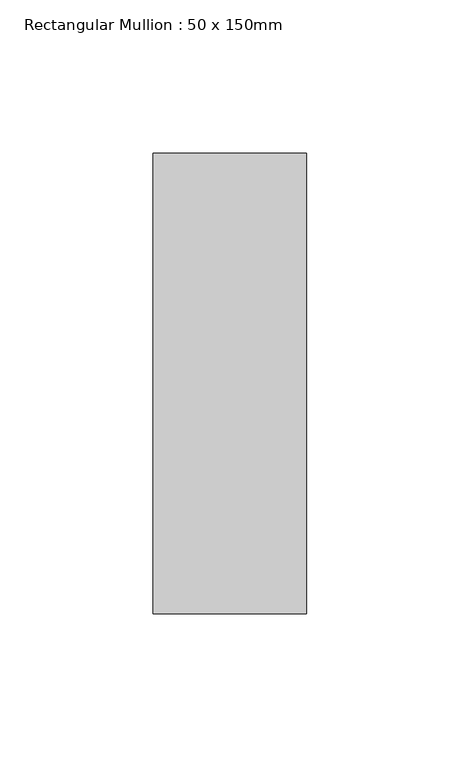
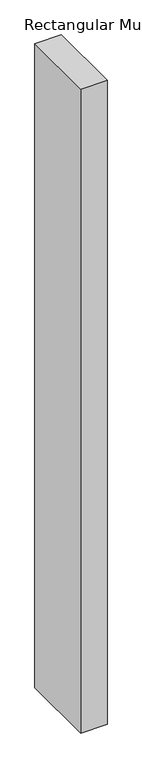
"""IFC4 building model written with IfcOpenShell, lengths in millimetres: member geometry, Rectangular Mullion : 50 x 150mm."""

from ifc_helpers import new_model, si_unit, frame, origin, place, context, project, spatial, polyline, outline, extrude, source, transform, mapped, element, save


def rectangular_mullion_50_x_150mm_68e32613(model_context):
    return source(origin(), model_context, "Body", "SweptSolid", [
        extrude(outline(polyline([(0.0, 75.0), (0.0, -75.0), (-50.0, -75.0), (-50.0, 75.0), (0.0, 75.0)])), frame((0.0, 0.0, -1289.1765303), z_axis=(0.0, 0.0, 1.0), x_axis=(1.0, 0.0, 0.0)), (0.0, 0.0, 1.0), 1289.1765303),
    ])


if __name__ == "__main__":
    model = new_model("IFC4")
    model_context = context("Model", 3, world=origin())
    ifc_project = project(units=[si_unit("LENGTHUNIT", "METRE", prefix="MILLI")], contexts=[model_context])
    site = spatial("IfcSite", under=ifc_project)
    building = spatial("IfcBuilding", under=site)
    placement = place(None, origin())
    rectangular_mullion_50_x_150mm_shape = rectangular_mullion_50_x_150mm_68e32613(model_context)
    element("IfcMember", 1, ObjectType="Rectangular Mullion : 50 x 150mm", at=placement, inside=building, context=model_context, shape_type="MappedRepresentation", body=[
        mapped(rectangular_mullion_50_x_150mm_shape, transform((0.0, 0.0, 0.0), x_axis=(1.0, 0.0, 0.0), y_axis=(0.0, 1.0, 0.0), z_axis=(0.0, 0.0, 1.0))),
    ])
    save(model, "model.ifc")
